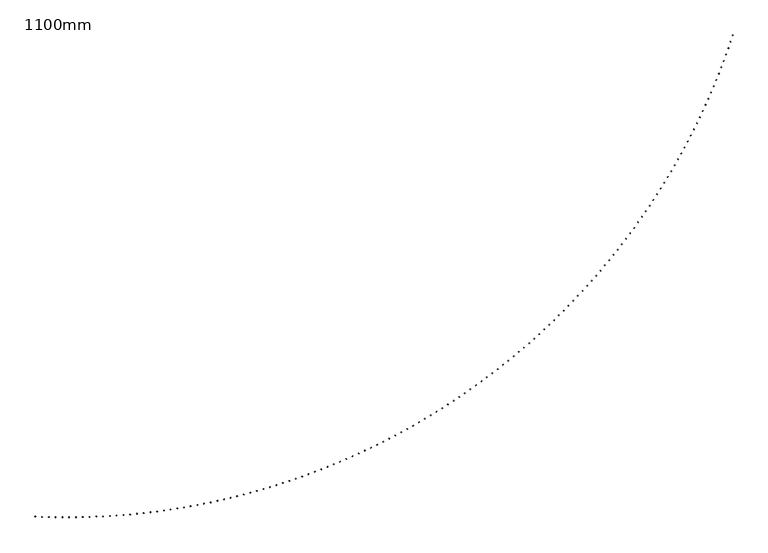
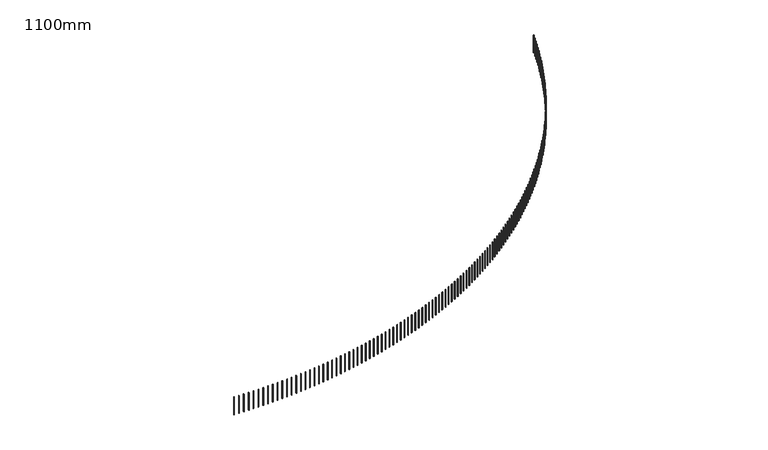
"""IFC4 building model written with IfcOpenShell, lengths in millimetres: railing geometry, 1100mm."""

from ifc_helpers import new_model, si_unit, frame, origin, place, context, project, spatial, polyline, outline, extrude, source, transform, mapped, element, save


def railing_1100mm_c34f6f84(model_context):
    return source(origin(), model_context, "Body", "SweptSolid", [
        extrude(outline(polyline([(-10385.6237062, -82528.6141743), (-10386.7339032, -82553.5895114), (-10411.7092403, -82552.4793143), (-10410.5990433, -82527.5039773), (-10385.6237062, -82528.6141743)])), frame((0.0, 0.0, 10600.0), z_axis=(0.0, 0.0, 1.0), x_axis=(1.0, 0.0, 0.0)), (0.0, 0.0, 1.0), 1050.0),
        extrude(outline(polyline([(-10110.9562878, -82539.3710236), (-10111.8247156, -82564.3559358), (-10136.8096277, -82563.487508), (-10135.9411999, -82538.5025959), (-10110.9562878, -82539.3710236)])), frame((0.0, 0.0, 10600.0), z_axis=(0.0, 0.0, 1.0), x_axis=(1.0, 0.0, 0.0)), (0.0, 0.0, 1.0), 1050.0),
        extrude(outline(polyline([(-9836.1976261, -82547.4690723), (-9836.8242033, -82572.4612191), (-9861.8163501, -82571.8346419), (-9861.1897729, -82546.8424951), (-9836.1976261, -82547.4690723)])), frame((0.0, 0.0, 10600.0), z_axis=(0.0, 0.0, 1.0), x_axis=(1.0, 0.0, 0.0)), (0.0, 0.0, 1.0), 1050.0),
        extrude(outline(polyline([(-9561.373458, -82552.9075616), (-9561.7581259, -82577.9046021), (-9586.7551663, -82577.5199342), (-9586.3704985, -82552.5228938), (-9561.373458, -82552.9075616)])), frame((0.0, 0.0, 10600.0), z_axis=(0.0, 0.0, 1.0), x_axis=(1.0, 0.0, 0.0)), (0.0, 0.0, 1.0), 1050.0),
        extrude(outline(polyline([(-9286.5095264, -82555.6859823), (-9286.6522489, -82580.6855749), (-9311.6518415, -82580.5428524), (-9311.509119, -82555.5432598), (-9286.5095264, -82555.6859823)])), frame((0.0, 0.0, 10600.0), z_axis=(0.0, 0.0, 1.0), x_axis=(1.0, 0.0, 0.0)), (0.0, 0.0, 1.0), 1050.0),
        extrude(outline(polyline([(-9011.6315779, -82555.8040741), (-9011.5323416, -82580.8038771), (-9036.5321447, -82580.9031133), (-9036.6313809, -82555.9033103), (-9011.6315779, -82555.8040741)])), frame((0.0, 0.0, 10600.0), z_axis=(0.0, 0.0, 1.0), x_axis=(1.0, 0.0, 0.0)), (0.0, 0.0, 1.0), 1050.0),
        extrude(outline(polyline([(-8736.7653604, -82553.2618258), (-8736.4241747, -82578.2594975), (-8761.4218465, -82578.6006832), (-8761.7630321, -82553.6030114), (-8736.7653604, -82553.2618258)])), frame((0.0, 0.0, 10600.0), z_axis=(0.0, 0.0, 1.0), x_axis=(1.0, 0.0, 0.0)), (0.0, 0.0, 1.0), 1050.0),
        extrude(outline(polyline([(-8461.9366208, -82548.0594757), (-8461.3535177, -82573.0526745), (-8486.3467166, -82573.6357777), (-8486.9298197, -82548.6425788), (-8461.9366208, -82548.0594757)])), frame((0.0, 0.0, 10600.0), z_axis=(0.0, 0.0, 1.0), x_axis=(1.0, 0.0, 0.0)), (0.0, 0.0, 1.0), 1050.0),
        extrude(outline(polyline([(-8187.1711025, -82540.197511), (-8186.3461366, -82565.1838959), (-8211.3325215, -82566.0088618), (-8212.1574874, -82541.0224769), (-8187.1711025, -82540.197511)])), frame((0.0, 0.0, 10600.0), z_axis=(0.0, 0.0, 1.0), x_axis=(1.0, 0.0, 0.0)), (0.0, 0.0, 1.0), 1050.0),
        extrude(outline(polyline([(-7912.4945429, -82529.6766681), (-7911.4277914, -82554.6538986), (-7936.4050218, -82555.7206501), (-7937.4717734, -82530.7434196), (-7912.4945429, -82529.6766681)])), frame((0.0, 0.0, 10600.0), z_axis=(0.0, 0.0, 1.0), x_axis=(1.0, 0.0, 0.0)), (0.0, 0.0, 1.0), 1050.0),
        extrude(outline(polyline([(-7637.9326711, -82516.4979327), (-7636.6242339, -82541.463669), (-7661.5899703, -82542.7721062), (-7662.8984074, -82517.8063698), (-7637.9326711, -82516.4979327)])), frame((0.0, 0.0, 10600.0), z_axis=(0.0, 0.0, 1.0), x_axis=(1.0, 0.0, 0.0)), (0.0, 0.0, 1.0), 1050.0),
        extrude(outline(polyline([(-7363.5112053, -82500.662539), (-7361.9612051, -82525.6144427), (-7386.9131088, -82527.164443), (-7388.4631091, -82502.2125392), (-7363.5112053, -82500.662539)])), frame((0.0, 0.0, 10600.0), z_axis=(0.0, 0.0, 1.0), x_axis=(1.0, 0.0, 0.0)), (0.0, 0.0, 1.0), 1050.0),
        extrude(outline(polyline([(-7089.255851, -82482.1719705), (-7087.4644328, -82507.1077043), (-7112.4001666, -82508.8991224), (-7114.1915848, -82483.9633886), (-7089.255851, -82482.1719705)])), frame((0.0, 0.0, 10600.0), z_axis=(0.0, 0.0, 1.0), x_axis=(1.0, 0.0, 0.0)), (0.0, 0.0, 1.0), 1050.0),
        extrude(outline(polyline([(-6815.1922975, -82461.0279591), (-6813.1596293, -82485.9451873), (-6838.0768575, -82487.9778555), (-6840.1095257, -82463.0606273), (-6815.1922975, -82461.0279591)])), frame((0.0, 0.0, 10600.0), z_axis=(0.0, 0.0, 1.0), x_axis=(1.0, 0.0, 0.0)), (0.0, 0.0, 1.0), 1050.0),
        extrude(outline(polyline([(-6541.3462167, -82437.2324855), (-6539.0724888, -82462.128874), (-6563.9688773, -82464.4026019), (-6566.2426052, -82439.5062134), (-6541.3462167, -82437.2324855)])), frame((0.0, 0.0, 10600.0), z_axis=(0.0, 0.0, 1.0), x_axis=(1.0, 0.0, 0.0)), (0.0, 0.0, 1.0), 1050.0),
        extrude(outline(polyline([(-6267.7432598, -82410.7877785), (-6265.2286852, -82435.6609953), (-6290.101902, -82438.1755699), (-6292.6164767, -82413.3023531), (-6267.7432598, -82410.7877785)])), frame((0.0, 0.0, 10600.0), z_axis=(0.0, 0.0, 1.0), x_axis=(1.0, 0.0, 0.0)), (0.0, 0.0, 1.0), 1050.0),
        extrude(outline(polyline([(-5994.4090554, -82381.6963152), (-5991.6538696, -82406.5440305), (-6016.5015849, -82409.2992162), (-6019.2567706, -82384.451501), (-5994.4090554, -82381.6963152)])), frame((0.0, 0.0, 10600.0), z_axis=(0.0, 0.0, 1.0), x_axis=(1.0, 0.0, 0.0)), (0.0, 0.0, 1.0), 1050.0),
        extrude(outline(polyline([(-5721.3692068, -82349.9608208), (-5718.3736679, -82374.7807069), (-5743.1935541, -82377.7762457), (-5746.1890929, -82352.9563596), (-5721.3692068, -82349.9608208)])), frame((0.0, 0.0, 10600.0), z_axis=(0.0, 0.0, 1.0), x_axis=(1.0, 0.0, 0.0)), (0.0, 0.0, 1.0), 1050.0),
        extrude(outline(polyline([(-5448.6492898, -82315.5842677), (-5445.4136784, -82340.3739998), (-5470.2034106, -82343.6096112), (-5473.4390219, -82318.8198791), (-5448.6492898, -82315.5842677)])), frame((0.0, 0.0, 10600.0), z_axis=(0.0, 0.0, 1.0), x_axis=(1.0, 0.0, 0.0)), (0.0, 0.0, 1.0), 1050.0),
        extrude(outline(polyline([(-5176.2748502, -82278.5698762), (-5172.7994694, -82303.3271322), (-5197.5567255, -82306.802513), (-5201.0321063, -82282.0452569), (-5176.2748502, -82278.5698762)])), frame((0.0, 0.0, 10600.0), z_axis=(0.0, 0.0, 1.0), x_axis=(1.0, 0.0, 0.0)), (0.0, 0.0, 1.0), 1050.0),
        extrude(outline(polyline([(-4904.2714014, -82238.9211133), (-4900.5565768, -82263.6435743), (-4925.2790378, -82267.3583989), (-4928.9938624, -82242.6359379), (-4904.2714014, -82238.9211133)])), frame((0.0, 0.0, 10600.0), z_axis=(0.0, 0.0, 1.0), x_axis=(1.0, 0.0, 0.0)), (0.0, 0.0, 1.0), 1050.0),
        extrude(outline(polyline([(-4632.6644222, -82196.641693), (-4628.7105017, -82221.3270431), (-4653.3958518, -82225.2809637), (-4657.3497724, -82200.5956135), (-4632.6644222, -82196.641693)])), frame((0.0, 0.0, 10600.0), z_axis=(0.0, 0.0, 1.0), x_axis=(1.0, 0.0, 0.0)), (0.0, 0.0, 1.0), 1050.0),
        extrude(outline(polyline([(-4361.4793541, -82151.7355756), (-4357.286708, -82176.3815026), (-4381.9326351, -82180.5741487), (-4386.1252811, -82155.9282217), (-4361.4793541, -82151.7355756)])), frame((0.0, 0.0, 10600.0), z_axis=(0.0, 0.0, 1.0), x_axis=(1.0, 0.0, 0.0)), (0.0, 0.0, 1.0), 1050.0),
        extrude(outline(polyline([(-4090.7415992, -82104.2069675), (-4086.3106203, -82128.8111628), (-4110.9148156, -82133.2421417), (-4115.3457945, -82108.6379464), (-4090.7415992, -82104.2069675)])), frame((0.0, 0.0, 10600.0), z_axis=(0.0, 0.0, 1.0), x_axis=(1.0, 0.0, 0.0)), (0.0, 0.0, 1.0), 1050.0),
        extrude(outline(polyline([(-3820.4765175, -82054.0603207), (-3815.8076209, -82078.6204796), (-3840.3677798, -82083.2893763), (-3845.0366764, -82058.7292174), (-3820.4765175, -82054.0603207)])), frame((0.0, 0.0, 10600.0), z_axis=(0.0, 0.0, 1.0), x_axis=(1.0, 0.0, 0.0)), (0.0, 0.0, 1.0), 1050.0),
        extrude(outline(polyline([(-3550.709425, -82001.3003326), (-3545.803048, -82025.8141545), (-3570.3168699, -82030.7205315), (-3575.2232469, -82006.2067096), (-3550.709425, -82001.3003326)])), frame((0.0, 0.0, 10600.0), z_axis=(0.0, 0.0, 1.0), x_axis=(1.0, 0.0, 0.0)), (0.0, 0.0, 1.0), 1050.0),
        extrude(outline(polyline([(-3281.465591, -81945.931945), (-3276.3221931, -81970.3971337), (-3300.7873818, -81975.5405316), (-3305.9307796, -81951.0753429), (-3281.465591, -81945.931945)])), frame((0.0, 0.0, 10600.0), z_axis=(0.0, 0.0, 1.0), x_axis=(1.0, 0.0, 0.0)), (0.0, 0.0, 1.0), 1050.0),
        extrude(outline(polyline([(-3012.7702354, -81887.9603445), (-3007.3902985, -81912.3746083), (-3031.8045623, -81917.7545453), (-3037.1844993, -81893.3402814), (-3012.7702354, -81887.9603445)])), frame((0.0, 0.0, 10600.0), z_axis=(0.0, 0.0, 1.0), x_axis=(1.0, 0.0, 0.0)), (0.0, 0.0, 1.0), 1050.0),
        extrude(outline(polyline([(-2744.6485274, -81827.3909612), (-2739.0325553, -81851.7520133), (-2763.3936074, -81857.3679854), (-2769.0095794, -81833.0069333), (-2744.6485274, -81827.3909612)])), frame((0.0, 0.0, 10600.0), z_axis=(0.0, 0.0, 1.0), x_axis=(1.0, 0.0, 0.0)), (0.0, 0.0, 1.0), 1050.0),
        extrude(outline(polyline([(-2477.1255818, -81764.2294688), (-2471.2741007, -81788.5350272), (-2495.5796591, -81794.3865083), (-2501.4311402, -81770.0809499), (-2477.1255818, -81764.2294688)])), frame((0.0, 0.0, 10600.0), z_axis=(0.0, 0.0, 1.0), x_axis=(1.0, 0.0, 0.0)), (0.0, 0.0, 1.0), 1050.0),
        extrude(outline(polyline([(-2210.2264577, -81698.4817835), (-2204.1400157, -81722.7295715), (-2228.3878037, -81728.8160136), (-2234.4742457, -81704.5682256), (-2210.2264577, -81698.4817835)])), frame((0.0, 0.0, 10600.0), z_axis=(0.0, 0.0, 1.0), x_axis=(1.0, 0.0, 0.0)), (0.0, 0.0, 1.0), 1050.0),
        extrude(outline(polyline([(-1943.9761558, -81630.1540641), (-1937.6553229, -81654.3418104), (-1961.8430692, -81660.6626433), (-1968.1639021, -81636.474897), (-1943.9761558, -81630.1540641)])), frame((0.0, 0.0, 10600.0), z_axis=(0.0, 0.0, 1.0), x_axis=(1.0, 0.0, 0.0)), (0.0, 0.0, 1.0), 1050.0),
        extrude(outline(polyline([(-1678.3996157, -81559.2527107), (-1671.8449841, -81583.3781497), (-1695.970423, -81589.9327813), (-1702.5250546, -81565.8073424), (-1678.3996157, -81559.2527107)])), frame((0.0, 0.0, 10600.0), z_axis=(0.0, 0.0, 1.0), x_axis=(1.0, 0.0, 0.0)), (0.0, 0.0, 1.0), 1050.0),
        extrude(outline(polyline([(-1413.5217142, -81485.7843648), (-1406.7338978, -81509.8452366), (-1430.7947695, -81516.633053), (-1437.582586, -81492.5721812), (-1413.5217142, -81485.7843648)])), frame((0.0, 0.0, 10600.0), z_axis=(0.0, 0.0, 1.0), x_axis=(1.0, 0.0, 0.0)), (0.0, 0.0, 1.0), 1050.0),
        extrude(outline(polyline([(-1149.3672626, -81409.7559082), (-1142.3468972, -81433.7499589), (-1166.3409479, -81440.7703243), (-1173.3613133, -81416.7762736), (-1149.3672626, -81409.7559082)])), frame((0.0, 0.0, 10600.0), z_axis=(0.0, 0.0, 1.0), x_axis=(1.0, 0.0, 0.0)), (0.0, 0.0, 1.0), 1050.0),
        extrude(outline(polyline([(-885.9610043, -81331.1744625), (-878.7087475, -81355.0994447), (-902.6337297, -81362.3517014), (-909.8859864, -81338.4267192), (-885.9610043, -81331.1744625)])), frame((0.0, 0.0, 10600.0), z_axis=(0.0, 0.0, 1.0), x_axis=(1.0, 0.0, 0.0)), (0.0, 0.0, 1.0), 1050.0),
        extrude(outline(polyline([(-623.3276126, -81250.0473885), (-615.8441439, -81273.901061), (-639.6978165, -81281.3845298), (-647.1812852, -81257.5308572), (-623.3276126, -81250.0473885)])), frame((0.0, 0.0, 10600.0), z_axis=(0.0, 0.0, 1.0), x_axis=(1.0, 0.0, 0.0)), (0.0, 0.0, 1.0), 1050.0),
        extrude(outline(polyline([(-361.4916887, -81166.3822853), (-353.7777089, -81190.1624139), (-377.5578375, -81197.8763937), (-385.2718173, -81174.0962651), (-361.4916887, -81166.3822853)])), frame((0.0, 0.0, 10600.0), z_axis=(0.0, 0.0, 1.0), x_axis=(1.0, 0.0, 0.0)), (0.0, 0.0, 1.0), 1050.0),
        extrude(outline(polyline([(-100.4777588, -81080.18699), (-92.5339905, -81103.8913471), (-116.2383476, -81111.8351154), (-124.1821159, -81088.1307583), (-100.4777588, -81080.18699)])), frame((0.0, 0.0, 10600.0), z_axis=(0.0, 0.0, 1.0), x_axis=(1.0, 0.0, 0.0)), (0.0, 0.0, 1.0), 1050.0),
        extrude(outline(polyline([(159.6897277, -80991.4695764), (167.8625404, -81015.0959416), (144.2361752, -81023.2687543), (136.0633625, -80999.6423891), (159.6897277, -80991.4695764)])), frame((0.0, 0.0, 10600.0), z_axis=(0.0, 0.0, 1.0), x_axis=(1.0, 0.0, 0.0)), (0.0, 0.0, 1.0), 1050.0),
        extrude(outline(polyline([(418.986401, -80900.2383549), (427.3874925, -80923.7845151), (403.8413323, -80932.1856066), (395.4402408, -80908.6394464), (418.986401, -80900.2383549)])), frame((0.0, 0.0, 10600.0), z_axis=(0.0, 0.0, 1.0), x_axis=(1.0, 0.0, 0.0)), (0.0, 0.0, 1.0), 1050.0),
        extrude(outline(polyline([(677.3879724, -80806.501871), (686.0165559, -80829.9656207), (662.5528062, -80838.5942041), (653.9242228, -80815.1304544), (677.3879724, -80806.501871)])), frame((0.0, 0.0, 10600.0), z_axis=(0.0, 0.0, 1.0), x_axis=(1.0, 0.0, 0.0)), (0.0, 0.0, 1.0), 1050.0),
        extrude(outline(polyline([(934.8702375, -80710.2689051), (943.7255046, -80733.6480464), (920.3463633, -80742.5033135), (911.4910963, -80719.1241722), (934.8702375, -80710.2689051)])), frame((0.0, 0.0, 10600.0), z_axis=(0.0, 0.0, 1.0), x_axis=(1.0, 0.0, 0.0)), (0.0, 0.0, 1.0), 1050.0),
        extrude(outline(polyline([(1191.4090777, -80611.5484715), (1200.4901989, -80634.8408144), (1177.197856, -80643.9219356), (1168.1167348, -80620.6295927), (1191.4090777, -80611.5484715)])), frame((0.0, 0.0, 10600.0), z_axis=(0.0, 0.0, 1.0), x_axis=(1.0, 0.0, 0.0)), (0.0, 0.0, 1.0), 1050.0),
        extrude(outline(polyline([(1446.9804628, -80510.3498172), (1456.2865876, -80533.5531799), (1433.0832249, -80542.8593047), (1423.7771001, -80519.655942), (1446.9804628, -80510.3498172)])), frame((0.0, 0.0, 10600.0), z_axis=(0.0, 0.0, 1.0), x_axis=(1.0, 0.0, 0.0)), (0.0, 0.0, 1.0), 1050.0),
        extrude(outline(polyline([(1701.5604535, -80406.6824217), (1711.0907101, -80429.7946308), (1687.978501, -80439.3248874), (1678.4482444, -80416.2126783), (1701.5604535, -80406.6824217)])), frame((0.0, 0.0, 10600.0), z_axis=(0.0, 0.0, 1.0), x_axis=(1.0, 0.0, 0.0)), (0.0, 0.0, 1.0), 1050.0),
        extrude(outline(polyline([(1955.125203, -80300.5559955), (1964.8786987, -80323.574886), (1941.8598082, -80333.3283817), (1932.1063125, -80310.3094912), (1955.125203, -80300.5559955)])), frame((0.0, 0.0, 10600.0), z_axis=(0.0, 0.0, 1.0), x_axis=(1.0, 0.0, 0.0)), (0.0, 0.0, 1.0), 1050.0),
        extrude(outline(polyline([(2207.6509598, -80191.9804794), (2217.6267811, -80214.9038952), (2194.7033653, -80224.8797165), (2184.7275441, -80201.9563007), (2207.6509598, -80191.9804794)])), frame((0.0, 0.0, 10600.0), z_axis=(0.0, 0.0, 1.0), x_axis=(1.0, 0.0, 0.0)), (0.0, 0.0, 1.0), 1050.0),
        extrude(outline(polyline([(2459.1140697, -80080.966044), (2469.3112821, -80103.7918377), (2446.4854883, -80113.9890501), (2436.288276, -80091.1632563), (2459.1140697, -80080.966044)])), frame((0.0, 0.0, 10600.0), z_axis=(0.0, 0.0, 1.0), x_axis=(1.0, 0.0, 0.0)), (0.0, 0.0, 1.0), 1050.0),
        extrude(outline(polyline([(2709.4909781, -79967.5230878), (2719.9086263, -79990.2491214), (2697.1825927, -80000.6667697), (2686.7649444, -79977.940736), (2709.4909781, -79967.5230878)])), frame((0.0, 0.0, 10600.0), z_axis=(0.0, 0.0, 1.0), x_axis=(1.0, 0.0, 0.0)), (0.0, 0.0, 1.0), 1050.0),
        extrude(outline(polyline([(2958.7582319, -79851.6622372), (2969.3953402, -79874.286382), (2946.7711955, -79884.9234903), (2936.1340872, -79862.2993455), (2958.7582319, -79851.6622372)])), frame((0.0, 0.0, 10600.0), z_axis=(0.0, 0.0, 1.0), x_axis=(1.0, 0.0, 0.0)), (0.0, 0.0, 1.0), 1050.0),
        extrude(outline(polyline([(3206.8924823, -79733.394345), (3217.7480543, -79755.9144816), (3195.2279176, -79766.7700536), (3184.3723456, -79744.249917), (3206.8924823, -79733.394345)])), frame((0.0, 0.0, 10600.0), z_axis=(0.0, 0.0, 1.0), x_axis=(1.0, 0.0, 0.0)), (0.0, 0.0, 1.0), 1050.0),
        extrude(outline(polyline([(3453.8704863, -79612.7304892), (3464.9435051, -79635.1445084), (3442.529486, -79646.2175272), (3431.4564671, -79623.8035081), (3453.8704863, -79612.7304892)])), frame((0.0, 0.0, 10600.0), z_axis=(0.0, 0.0, 1.0), x_axis=(1.0, 0.0, 0.0)), (0.0, 0.0, 1.0), 1050.0),
        extrude(outline(polyline([(3699.6691094, -79489.6819727), (3710.9585378, -79511.9877747), (3688.6527358, -79523.2772032), (3677.3633073, -79500.9714011), (3699.6691094, -79489.6819727)])), frame((0.0, 0.0, 10600.0), z_axis=(0.0, 0.0, 1.0), x_axis=(1.0, 0.0, 0.0)), (0.0, 0.0, 1.0), 1050.0),
        extrude(outline(polyline([(3944.2653275, -79364.2603213), (3955.7701081, -79386.4558169), (3933.5746125, -79397.9605975), (3922.0698319, -79375.7651019), (3944.2653275, -79364.2603213)])), frame((0.0, 0.0, 10600.0), z_axis=(0.0, 0.0, 1.0), x_axis=(1.0, 0.0, 0.0)), (0.0, 0.0, 1.0), 1050.0),
        extrude(outline(polyline([(4187.6362291, -79236.4772835), (4199.3552842, -79258.5603935), (4177.2721742, -79270.2794486), (4165.5531191, -79248.1963386), (4187.6362291, -79236.4772835)])), frame((0.0, 0.0, 10600.0), z_axis=(0.0, 0.0, 1.0), x_axis=(1.0, 0.0, 0.0)), (0.0, 0.0, 1.0), 1050.0),
        extrude(outline(polyline([(4429.7590177, -79106.3448286), (4441.6912495, -79128.3134846), (4419.7225936, -79140.2457164), (4407.7903618, -79118.2770605), (4429.7590177, -79106.3448286)])), frame((0.0, 0.0, 10600.0), z_axis=(0.0, 0.0, 1.0), x_axis=(1.0, 0.0, 0.0)), (0.0, 0.0, 1.0), 1050.0),
        extrude(outline(polyline([(4670.6110134, -78973.8751464), (4682.7553042, -78995.7272904), (4660.9031602, -79007.8715813), (4648.7588693, -78986.0194373), (4670.6110134, -78973.8751464)])), frame((0.0, 0.0, 10600.0), z_axis=(0.0, 0.0, 1.0), x_axis=(1.0, 0.0, 0.0)), (0.0, 0.0, 1.0), 1050.0),
        extrude(outline(polyline([(4910.1696554, -78839.0806452), (4922.5248678, -78860.8142304), (4900.7912826, -78873.1694428), (4888.4360702, -78851.4358576), (4910.1696554, -78839.0806452)])), frame((0.0, 0.0, 10600.0), z_axis=(0.0, 0.0, 1.0), x_axis=(1.0, 0.0, 0.0)), (0.0, 0.0, 1.0), 1050.0),
        extrude(outline(polyline([(5148.4125043, -78701.9739514), (5160.9774809, -78723.586942), (5139.3644902, -78736.1519186), (5126.7995137, -78714.5389279), (5148.4125043, -78701.9739514)])), frame((0.0, 0.0, 10600.0), z_axis=(0.0, 0.0, 1.0), x_axis=(1.0, 0.0, 0.0)), (0.0, 0.0, 1.0), 1050.0),
        extrude(outline(polyline([(5385.3172437, -78562.5679077), (5398.0908074, -78584.0582793), (5376.6004359, -78596.831843), (5363.8268721, -78575.3414715), (5385.3172437, -78562.5679077)])), frame((0.0, 0.0, 10600.0), z_axis=(0.0, 0.0, 1.0), x_axis=(1.0, 0.0, 0.0)), (0.0, 0.0, 1.0), 1050.0),
        extrude(outline(polyline([(5620.8616826, -78420.8755725), (5633.842637, -78442.241312), (5612.4768976, -78455.2222664), (5599.4959431, -78433.856527), (5620.8616826, -78420.8755725)])), frame((0.0, 0.0, 10600.0), z_axis=(0.0, 0.0, 1.0), x_axis=(1.0, 0.0, 0.0)), (0.0, 0.0, 1.0), 1050.0),
        extrude(outline(polyline([(5855.0237574, -78276.9102182), (5868.2108866, -78298.1493241), (5846.9717806, -78311.3364534), (5833.7846514, -78290.0973474), (5855.0237574, -78276.9102182)])), frame((0.0, 0.0, 10600.0), z_axis=(0.0, 0.0, 1.0), x_axis=(1.0, 0.0, 0.0)), (0.0, 0.0, 1.0), 1050.0),
        extrude(outline(polyline([(6087.781534, -78130.6853299), (6101.1736028, -78151.795813), (6080.0631197, -78165.1878817), (6066.671051, -78144.0773987), (6087.781534, -78130.6853299)])), frame((0.0, 0.0, 10600.0), z_axis=(0.0, 0.0, 1.0), x_axis=(1.0, 0.0, 0.0)), (0.0, 0.0, 1.0), 1050.0),
        extrude(outline(polyline([(6319.11321, -77982.2146048), (6332.7089638, -78003.1944875), (6311.7290811, -78016.7902413), (6298.1333273, -77995.8103586), (6319.11321, -77982.2146048)])), frame((0.0, 0.0, 10600.0), z_axis=(0.0, 0.0, 1.0), x_axis=(1.0, 0.0, 0.0)), (0.0, 0.0, 1.0), 1050.0),
        extrude(outline(polyline([(6548.9971164, -77831.5119501), (6562.7952817, -77852.3592672), (6541.9479646, -77866.1574326), (6528.1497992, -77845.3101155), (6548.9971164, -77831.5119501)])), frame((0.0, 0.0, 10600.0), z_axis=(0.0, 0.0, 1.0), x_axis=(1.0, 0.0, 0.0)), (0.0, 0.0, 1.0), 1050.0),
        extrude(outline(polyline([(6777.4117197, -77678.5914822), (6791.4110042, -77699.304281), (6770.6982054, -77713.3035655), (6756.6989209, -77692.5907666), (6777.4117197, -77678.5914822)])), frame((0.0, 0.0, 10600.0), z_axis=(0.0, 0.0, 1.0), x_axis=(1.0, 0.0, 0.0)), (0.0, 0.0, 1.0), 1050.0),
        extrude(outline(polyline([(7004.3356244, -77523.4675252), (7018.5347166, -77544.0438655), (6997.9583763, -77558.2429578), (6983.7592841, -77537.6666174), (7004.3356244, -77523.4675252)])), frame((0.0, 0.0, 10600.0), z_axis=(0.0, 0.0, 1.0), x_axis=(1.0, 0.0, 0.0)), (0.0, 0.0, 1.0), 1050.0),
        extrude(outline(polyline([(7229.7475744, -77366.1546098), (7244.1451443, -77386.5925642), (7223.7071899, -77400.9901341), (7209.30962, -77380.5521797), (7229.7475744, -77366.1546098)])), frame((0.0, 0.0, 10600.0), z_axis=(0.0, 0.0, 1.0), x_axis=(1.0, 0.0, 0.0)), (0.0, 0.0, 1.0), 1050.0),
        extrude(outline(polyline([(7453.6264551, -77206.6674714), (7468.2211541, -77226.9651255), (7447.9235, -77241.5598245), (7433.328801, -77221.2621704), (7453.6264551, -77206.6674714)])), frame((0.0, 0.0, 10600.0), z_axis=(0.0, 0.0, 1.0), x_axis=(1.0, 0.0, 0.0)), (0.0, 0.0, 1.0), 1050.0),
        extrude(outline(polyline([(7675.9512957, -77045.0210493), (7690.7417567, -77065.1765018), (7670.5863043, -77079.9669628), (7655.7958433, -77059.8115103), (7675.9512957, -77045.0210493)])), frame((0.0, 0.0, 10600.0), z_axis=(0.0, 0.0, 1.0), x_axis=(1.0, 0.0, 0.0)), (0.0, 0.0, 1.0), 1050.0),
        extrude(outline(polyline([(7896.701271, -76881.2304851), (7911.6861086, -76901.2418479), (7891.6747458, -76916.2266855), (7876.6899082, -76896.2153227), (7896.701271, -76881.2304851)])), frame((0.0, 0.0, 10600.0), z_axis=(0.0, 0.0, 1.0), x_axis=(1.0, 0.0, 0.0)), (0.0, 0.0, 1.0), 1050.0),
        extrude(outline(polyline([(8115.8557032, -76715.311121), (8131.0335137, -76735.1765197), (8111.168115, -76750.3543302), (8095.9903045, -76730.4889315), (8115.8557032, -76715.311121)])), frame((0.0, 0.0, 10600.0), z_axis=(0.0, 0.0, 1.0), x_axis=(1.0, 0.0, 0.0)), (0.0, 0.0, 1.0), 1050.0),
        extrude(outline(polyline([(8333.394064, -76547.2784988), (8348.7634258, -76566.9960726), (8329.0458519, -76582.3654344), (8313.6764901, -76562.6478605), (8333.394064, -76547.2784988)])), frame((0.0, 0.0, 10600.0), z_axis=(0.0, 0.0, 1.0), x_axis=(1.0, 0.0, 0.0)), (0.0, 0.0, 1.0), 1050.0),
        extrude(outline(polyline([(8549.2959765, -76377.1483582), (8564.8554498, -76396.7162602), (8545.2875477, -76412.2757335), (8529.7280744, -76392.7078315), (8549.2959765, -76377.1483582)])), frame((0.0, 0.0, 10600.0), z_axis=(0.0, 0.0, 1.0), x_axis=(1.0, 0.0, 0.0)), (0.0, 0.0, 1.0), 1050.0),
        extrude(outline(polyline([(8763.541217, -76204.9366354), (8779.2893444, -76224.3530327), (8759.8729471, -76240.1011601), (8744.1248197, -76220.6847628), (8763.541217, -76204.9366354)])), frame((0.0, 0.0, 10600.0), z_axis=(0.0, 0.0, 1.0), x_axis=(1.0, 0.0, 0.0)), (0.0, 0.0, 1.0), 1050.0),
        extrude(outline(polyline([(8976.109717, -76030.6594615), (8992.0450234, -76049.9225353), (8972.7819496, -76065.8578417), (8956.8466432, -76046.5947679), (8976.109717, -76030.6594615)])), frame((0.0, 0.0, 10600.0), z_axis=(0.0, 0.0, 1.0), x_axis=(1.0, 0.0, 0.0)), (0.0, 0.0, 1.0), 1050.0),
        extrude(outline(polyline([(9186.9815652, -75854.3331613), (9203.1025579, -75873.4411071), (9183.994612, -75889.5620998), (9167.8736193, -75870.4541539), (9186.9815652, -75854.3331613)])), frame((0.0, 0.0, 10600.0), z_axis=(0.0, 0.0, 1.0), x_axis=(1.0, 0.0, 0.0)), (0.0, 0.0, 1.0), 1050.0),
        extrude(outline(polyline([(9396.1370091, -75675.9742511), (9412.442178, -75694.9252792), (9393.4911499, -75711.2304482), (9377.185981, -75692.27942), (9396.1370091, -75675.9742511)])), frame((0.0, 0.0, 10600.0), z_axis=(0.0, 0.0, 1.0), x_axis=(1.0, 0.0, 0.0)), (0.0, 0.0, 1.0), 1050.0),
        extrude(outline(polyline([(9603.556457, -75495.5994381), (9620.0442748, -75514.3917733), (9601.2519396, -75530.8795912), (9584.7641218, -75512.0872559), (9603.556457, -75495.5994381)])), frame((0.0, 0.0, 10600.0), z_axis=(0.0, 0.0, 1.0), x_axis=(1.0, 0.0, 0.0)), (0.0, 0.0, 1.0), 1050.0),
        extrude(outline(polyline([(9809.2204798, -75313.225618), (9825.8894022, -75331.8575), (9807.2575201, -75348.5264224), (9790.5885978, -75329.8945403), (9809.2204798, -75313.225618)])), frame((0.0, 0.0, 10600.0), z_axis=(0.0, 0.0, 1.0), x_axis=(1.0, 0.0, 0.0)), (0.0, 0.0, 1.0), 1050.0),
        extrude(outline(polyline([(10013.1098129, -75128.8698739), (10029.9582783, -75147.3395575), (10011.4885947, -75164.1880229), (9994.6401293, -75145.7183393), (10013.1098129, -75128.8698739)])), frame((0.0, 0.0, 10600.0), z_axis=(0.0, 0.0, 1.0), x_axis=(1.0, 0.0, 0.0)), (0.0, 0.0, 1.0), 1050.0),
        extrude(outline(polyline([(10215.2053578, -74942.5494744), (10232.2317882, -74960.8552295), (10213.9260331, -74977.8816598), (10196.8996027, -74959.5759048), (10215.2053578, -74942.5494744)])), frame((0.0, 0.0, 10600.0), z_axis=(0.0, 0.0, 1.0), x_axis=(1.0, 0.0, 0.0)), (0.0, 0.0, 1.0), 1050.0),
        extrude(outline(polyline([(10415.4881842, -74754.2818723), (10432.6909846, -74772.4219842), (10414.5508727, -74789.6247846), (10397.3480723, -74771.4846727), (10415.4881842, -74754.2818723)])), frame((0.0, 0.0, 10600.0), z_axis=(0.0, 0.0, 1.0), x_axis=(1.0, 0.0, 0.0)), (0.0, 0.0, 1.0), 1050.0),
        extrude(outline(polyline([(10613.9395314, -74564.0847027), (10631.3170904, -74582.0574722), (10613.344321, -74599.4350312), (10595.966762, -74581.4622617), (10613.9395314, -74564.0847027)])), frame((0.0, 0.0, 10600.0), z_axis=(0.0, 0.0, 1.0), x_axis=(1.0, 0.0, 0.0)), (0.0, 0.0, 1.0), 1050.0),
        extrude(outline(polyline([(10810.5408105, -74371.9757815), (10828.0915004, -74389.779525), (10810.2877568, -74407.3302149), (10792.7370669, -74389.5264714), (10810.5408105, -74371.9757815)])), frame((0.0, 0.0, 10600.0), z_axis=(0.0, 0.0, 1.0), x_axis=(1.0, 0.0, 0.0)), (0.0, 0.0, 1.0), 1050.0),
        extrude(outline(polyline([(11005.2736056, -74177.9731036), (11022.9957824, -74195.6061535), (11005.3627325, -74213.3283303), (10987.6405557, -74195.6952804), (11005.2736056, -74177.9731036)])), frame((0.0, 0.0, 10600.0), z_axis=(0.0, 0.0, 1.0), x_axis=(1.0, 0.0, 0.0)), (0.0, 0.0, 1.0), 1050.0),
        extrude(outline(polyline([(11198.1196761, -73982.0948413), (11216.0116798, -73999.5555459), (11198.5509751, -74017.4475496), (11180.6589715, -73999.986845), (11198.1196761, -73982.0948413)])), frame((0.0, 0.0, 10600.0), z_axis=(0.0, 0.0, 1.0), x_axis=(1.0, 0.0, 0.0)), (0.0, 0.0, 1.0), 1050.0),
        extrude(outline(polyline([(11389.060958, -73784.3593427), (11407.1211125, -73801.6460664), (11389.8343888, -73819.706221), (11371.7742342, -73802.4194972), (11389.060958, -73784.3593427)])), frame((0.0, 0.0, 10600.0), z_axis=(0.0, 0.0, 1.0), x_axis=(1.0, 0.0, 0.0)), (0.0, 0.0, 1.0), 1050.0),
        extrude(outline(polyline([(11578.0795657, -73584.7851297), (11596.3061794, -73601.8962533), (11579.1950558, -73620.1228671), (11560.968442, -73603.0117434), (11578.0795657, -73584.7851297)])), frame((0.0, 0.0, 10600.0), z_axis=(0.0, 0.0, 1.0), x_axis=(1.0, 0.0, 0.0)), (0.0, 0.0, 1.0), 1050.0),
        extrude(outline(polyline([(11765.1577937, -73383.3908966), (11783.5491593, -73400.3248173), (11766.6152386, -73418.7161829), (11748.223873, -73401.7822622), (11765.1577937, -73383.3908966)])), frame((0.0, 0.0, 10600.0), z_axis=(0.0, 0.0, 1.0), x_axis=(1.0, 0.0, 0.0)), (0.0, 0.0, 1.0), 1050.0),
        extrude(outline(polyline([(11950.2781183, -73180.195508), (11968.8325131, -73196.9506396), (11952.0773816, -73215.5050344), (11933.5229868, -73198.7499028), (11950.2781183, -73180.195508)])), frame((0.0, 0.0, 10600.0), z_axis=(0.0, 0.0, 1.0), x_axis=(1.0, 0.0, 0.0)), (0.0, 0.0, 1.0), 1050.0),
        extrude(outline(polyline([(12133.4231993, -72975.2179974), (12152.1388853, -72991.7927703), (12135.5641123, -73010.5084563), (12116.8484263, -72993.9336833), (12133.4231993, -72975.2179974)])), frame((0.0, 0.0, 10600.0), z_axis=(0.0, 0.0, 1.0), x_axis=(1.0, 0.0, 0.0)), (0.0, 0.0, 1.0), 1050.0),
        extrude(outline(polyline([(12314.5758813, -72768.4775651), (12333.4511053, -72784.8704269), (12317.0582435, -72803.7456509), (12298.1830195, -72787.3527891), (12314.5758813, -72768.4775651)])), frame((0.0, 0.0, 10600.0), z_axis=(0.0, 0.0, 1.0), x_axis=(1.0, 0.0, 0.0)), (0.0, 0.0, 1.0), 1050.0),
        extrude(outline(polyline([(12493.7191956, -72559.9935766), (12512.7521897, -72576.2029917), (12496.5427745, -72595.2359857), (12477.5097805, -72579.0265706), (12493.7191956, -72559.9935766)])), frame((0.0, 0.0, 10600.0), z_axis=(0.0, 0.0, 1.0), x_axis=(1.0, 0.0, 0.0)), (0.0, 0.0, 1.0), 1050.0),
        extrude(outline(polyline([(12670.8363619, -72349.7855607), (12690.0253431, -72365.8100107), (12674.000893, -72384.9989919), (12654.8119118, -72368.9745419), (12670.8363619, -72349.7855607)])), frame((0.0, 0.0, 10600.0), z_axis=(0.0, 0.0, 1.0), x_axis=(1.0, 0.0, 0.0)), (0.0, 0.0, 1.0), 1050.0),
        extrude(outline(polyline([(12845.9107894, -72137.8732076), (12865.2539604, -72153.7111917), (12849.4159763, -72173.0543626), (12830.0728054, -72157.2163786), (12845.9107894, -72137.8732076)])), frame((0.0, 0.0, 10600.0), z_axis=(0.0, 0.0, 1.0), x_axis=(1.0, 0.0, 0.0)), (0.0, 0.0, 1.0), 1050.0),
        extrude(outline(polyline([(13018.9260789, -71924.2763674), (13038.4216277, -71939.9264018), (13022.7715933, -71959.4219506), (13003.2760445, -71943.7719162), (13018.9260789, -71924.2763674)])), frame((0.0, 0.0, 10600.0), z_axis=(0.0, 0.0, 1.0), x_axis=(1.0, 0.0, 0.0)), (0.0, 0.0, 1.0), 1050.0),
        extrude(outline(polyline([(13189.8660239, -71709.0150478), (13209.5121244, -71724.4756666), (13194.0515055, -71744.1217671), (13174.405405, -71728.6611483), (13189.8660239, -71709.0150478)])), frame((0.0, 0.0, 10600.0), z_axis=(0.0, 0.0, 1.0), x_axis=(1.0, 0.0, 0.0)), (0.0, 0.0, 1.0), 1050.0),
        extrude(outline(polyline([(13358.7146124, -71492.1094123), (13378.5094243, -71507.3791674), (13363.2396692, -71527.1739793), (13343.4448573, -71511.9042242), (13358.7146124, -71492.1094123)])), frame((0.0, 0.0, 10600.0), z_axis=(0.0, 0.0, 1.0), x_axis=(1.0, 0.0, 0.0)), (0.0, 0.0, 1.0), 1050.0),
        extrude(outline(polyline([(13525.4560282, -71273.5797787), (13545.3976974, -71288.6572397), (13530.3202364, -71308.5989088), (13510.3785672, -71293.5214478), (13525.4560282, -71273.5797787)])), frame((0.0, 0.0, 10600.0), z_axis=(0.0, 0.0, 1.0), x_axis=(1.0, 0.0, 0.0)), (0.0, 0.0, 1.0), 1050.0),
        extrude(outline(polyline([(13690.0746527, -71053.4466166), (13710.1613111, -71068.3303713), (13695.2775565, -71088.4170297), (13675.190898, -71073.5332751), (13690.0746527, -71053.4466166)])), frame((0.0, 0.0, 10600.0), z_axis=(0.0, 0.0, 1.0), x_axis=(1.0, 0.0, 0.0)), (0.0, 0.0, 1.0), 1050.0),
        extrude(outline(polyline([(13852.5550658, -70831.7305462), (13872.7848321, -70846.4192003), (13858.096178, -70866.6489665), (13837.8664118, -70851.9603125), (13852.5550658, -70831.7305462)])), frame((0.0, 0.0, 10600.0), z_axis=(0.0, 0.0, 1.0), x_axis=(1.0, 0.0, 0.0)), (0.0, 0.0, 1.0), 1050.0),
        extrude(outline(polyline([(14012.882048, -70608.4523357), (14033.2530271, -70622.9445133), (14018.7608495, -70643.3154923), (13998.3898705, -70628.8233148), (14012.882048, -70608.4523357)])), frame((0.0, 0.0, 10600.0), z_axis=(0.0, 0.0, 1.0), x_axis=(1.0, 0.0, 0.0)), (0.0, 0.0, 1.0), 1050.0),
        extrude(outline(polyline([(14171.0405814, -70383.6328996), (14191.5508652, -70397.9272432), (14177.2565216, -70418.437527), (14156.7462378, -70404.1431833), (14171.0405814, -70383.6328996)])), frame((0.0, 0.0, 10600.0), z_axis=(0.0, 0.0, 1.0), x_axis=(1.0, 0.0, 0.0)), (0.0, 0.0, 1.0), 1050.0),
        extrude(outline(polyline([(14327.0158512, -70157.2932968), (14347.6635184, -70171.3884676), (14333.5683477, -70192.0361348), (14312.9206805, -70177.9409641), (14327.0158512, -70157.2932968)])), frame((0.0, 0.0, 10600.0), z_axis=(0.0, 0.0, 1.0), x_axis=(1.0, 0.0, 0.0)), (0.0, 0.0, 1.0), 1050.0),
        extrude(outline(polyline([(14480.7932471, -69929.4547289), (14501.5763637, -69943.3494064), (14487.6816862, -69964.132523), (14466.8985696, -69950.2378455), (14480.7932471, -69929.4547289)])), frame((0.0, 0.0, 10600.0), z_axis=(0.0, 0.0, 1.0), x_axis=(1.0, 0.0, 0.0)), (0.0, 0.0, 1.0), 1050.0),
        extrude(outline(polyline([(14632.3583646, -69700.1385374), (14653.2749839, -69713.8314202), (14639.5821011, -69734.7480394), (14618.6654818, -69721.0551566), (14632.3583646, -69700.1385374)])), frame((0.0, 0.0, 10600.0), z_axis=(0.0, 0.0, 1.0), x_axis=(1.0, 0.0, 0.0)), (0.0, 0.0, 1.0), 1050.0),
        extrude(outline(polyline([(14781.6970067, -69469.3662026), (14802.7451693, -69482.856008), (14789.2553639, -69503.9041706), (14768.2072013, -69490.4143652), (14781.6970067, -69469.3662026)])), frame((0.0, 0.0, 10600.0), z_axis=(0.0, 0.0, 1.0), x_axis=(1.0, 0.0, 0.0)), (0.0, 0.0, 1.0), 1050.0),
        extrude(outline(polyline([(14928.7951847, -69237.1593409), (14949.972919, -69250.4448054), (14936.6874545, -69271.6225398), (14915.5097201, -69258.3370753), (14928.7951847, -69237.1593409)])), frame((0.0, 0.0, 10600.0), z_axis=(0.0, 0.0, 1.0), x_axis=(1.0, 0.0, 0.0)), (0.0, 0.0, 1.0), 1050.0),
        extrude(outline(polyline([(15073.6391197, -69003.5397035), (15094.9444421, -69016.6195826), (15081.864563, -69037.924905), (15060.5592406, -69024.8450259), (15073.6391197, -69003.5397035)])), frame((0.0, 0.0, 10600.0), z_axis=(0.0, 0.0, 1.0), x_axis=(1.0, 0.0, 0.0)), (0.0, 0.0, 1.0), 1050.0),
        extrude(outline(polyline([(15216.2152443, -68768.5291734), (15237.6461591, -68781.4022419), (15224.7730906, -68802.8331567), (15203.3421758, -68789.9600882), (15216.2152443, -68768.5291734)])), frame((0.0, 0.0, 10600.0), z_axis=(0.0, 0.0, 1.0), x_axis=(1.0, 0.0, 0.0)), (0.0, 0.0, 1.0), 1050.0),
        extrude(outline(polyline([(15356.5102032, -68532.1497643), (15378.0647029, -68544.8148164), (15365.3996508, -68566.3693161), (15343.8451512, -68553.704264), (15356.5102032, -68532.1497643)])), frame((0.0, 0.0, 10600.0), z_axis=(0.0, 0.0, 1.0), x_axis=(1.0, 0.0, 0.0)), (0.0, 0.0, 1.0), 1050.0),
        extrude(outline(polyline([(15494.510855, -68294.423618), (15516.1869206, -68306.8794673), (15503.7310713, -68328.5555329), (15482.0550057, -68316.0996836), (15494.510855, -68294.423618)])), frame((0.0, 0.0, 10600.0), z_axis=(0.0, 0.0, 1.0), x_axis=(1.0, 0.0, 0.0)), (0.0, 0.0, 1.0), 1050.0),
        extrude(outline(polyline([(15630.204273, -68055.3730024), (15651.9998741, -68067.6184821), (15639.7543943, -68089.4140832), (15617.9587932, -68077.1686034), (15630.204273, -68055.3730024)])), frame((0.0, 0.0, 10600.0), z_axis=(0.0, 0.0, 1.0), x_axis=(1.0, 0.0, 0.0)), (0.0, 0.0, 1.0), 1050.0),
        extrude(outline(polyline([(15763.5777468, -67815.0203094), (15785.4908418, -67827.0542726), (15773.4568785, -67848.9673675), (15751.5437836, -67836.9334043), (15763.5777468, -67815.0203094)])), frame((0.0, 0.0, 10600.0), z_axis=(0.0, 0.0, 1.0), x_axis=(1.0, 0.0, 0.0)), (0.0, 0.0, 1.0), 1050.0),
        extrude(outline(polyline([(15894.6187833, -67573.388053), (15916.6473194, -67585.2093725), (15904.826, -67607.2379087), (15882.7974638, -67595.4165892), (15894.6187833, -67573.388053)])), frame((0.0, 0.0, 10600.0), z_axis=(0.0, 0.0, 1.0), x_axis=(1.0, 0.0, 0.0)), (0.0, 0.0, 1.0), 1050.0),
        extrude(outline(polyline([(16023.3151076, -67330.4988671), (16045.4570216, -67342.1064355), (16033.8494533, -67364.2483495), (16011.7075393, -67352.6407811), (16023.3151076, -67330.4988671)])), frame((0.0, 0.0, 10600.0), z_axis=(0.0, 0.0, 1.0), x_axis=(1.0, 0.0, 0.0)), (0.0, 0.0, 1.0), 1050.0),
        extrude(outline(polyline([(16149.6546649, -67086.3755032), (16171.9078827, -67097.7682332), (16160.5151527, -67120.021451), (16138.2619349, -67108.628721), (16149.6546649, -67086.3755032)])), frame((0.0, 0.0, 10600.0), z_axis=(0.0, 0.0, 1.0), x_axis=(1.0, 0.0, 0.0)), (0.0, 0.0, 1.0), 1050.0),
        extrude(outline(polyline([(16273.6256207, -66841.0408284), (16295.9880579, -66852.2176529), (16284.8112334, -66874.58009), (16262.4487963, -66863.4032656), (16273.6256207, -66841.0408284)])), frame((0.0, 0.0, 10600.0), z_axis=(0.0, 0.0, 1.0), x_axis=(1.0, 0.0, 0.0)), (0.0, 0.0, 1.0), 1050.0),
        extrude(outline(polyline([(16395.2163628, -66594.5178234), (16417.6859245, -66605.4776954), (16406.7260526, -66627.9472572), (16384.2564908, -66616.9873852), (16395.2163628, -66594.5178234)])), frame((0.0, 0.0, 10600.0), z_axis=(0.0, 0.0, 1.0), x_axis=(1.0, 0.0, 0.0)), (0.0, 0.0, 1.0), 1050.0),
        extrude(outline(polyline([(16514.4155015, -66346.8295802), (16536.9900832, -66357.571473), (16526.2481903, -66380.1460547), (16503.6736086, -66369.4041618), (16514.4155015, -66346.8295802)])), frame((0.0, 0.0, 10600.0), z_axis=(0.0, 0.0, 1.0), x_axis=(1.0, 0.0, 0.0)), (0.0, 0.0, 1.0), 1050.0),
        extrude(outline(polyline([(16631.2118715, -66097.9992997), (16653.8893585, -66108.5222072), (16643.3664509, -66131.1996942), (16620.6889639, -66120.6767867), (16631.2118715, -66097.9992997)])), frame((0.0, 0.0, 10600.0), z_axis=(0.0, 0.0, 1.0), x_axis=(1.0, 0.0, 0.0)), (0.0, 0.0, 1.0), 1050.0),
        extrude(outline(polyline([(16745.5945324, -65848.05029), (16768.3728005, -65858.3532266), (16758.0698639, -65881.1314947), (16735.2915958, -65870.8285581), (16745.5945324, -65848.05029)])), frame((0.0, 0.0, 10600.0), z_axis=(0.0, 0.0, 1.0), x_axis=(1.0, 0.0, 0.0)), (0.0, 0.0, 1.0), 1050.0),
        extrude(outline(polyline([(16857.5527699, -65597.0059641), (16880.4296855, -65607.0879646), (16870.347685, -65629.9648802), (16847.4707694, -65619.8828796), (16857.5527699, -65597.0059641)])), frame((0.0, 0.0, 10600.0), z_axis=(0.0, 0.0, 1.0), x_axis=(1.0, 0.0, 0.0)), (0.0, 0.0, 1.0), 1050.0),
        extrude(outline(polyline([(16967.0760969, -65344.8898373), (16990.049517, -65354.7499574), (16980.1893969, -65377.7233775), (16957.2159768, -65367.8632574), (16967.0760969, -65344.8898373)])), frame((0.0, 0.0, 10600.0), z_axis=(0.0, 0.0, 1.0), x_axis=(1.0, 0.0, 0.0)), (0.0, 0.0, 1.0), 1050.0),
        extrude(outline(polyline([(17074.1542542, -65091.7255255), (17097.2220269, -65101.3628415), (17087.5847109, -65124.4306143), (17064.5169382, -65114.7932982), (17074.1542542, -65091.7255255)])), frame((0.0, 0.0, 10600.0), z_axis=(0.0, 0.0, 1.0), x_axis=(1.0, 0.0, 0.0)), (0.0, 0.0, 1.0), 1050.0),
        extrude(outline(polyline([(17178.7772117, -64837.5367427), (17201.9371763, -64846.9503519), (17192.5235671, -64870.1103165), (17169.3636025, -64860.6967073), (17178.7772117, -64837.5367427)])), frame((0.0, 0.0, 10600.0), z_axis=(0.0, 0.0, 1.0), x_axis=(1.0, 0.0, 0.0)), (0.0, 0.0, 1.0), 1050.0),
        extrude(outline(polyline([(17280.9351694, -64582.3472989), (17304.1851565, -64591.5363196), (17294.9961358, -64614.7863067), (17271.7461487, -64605.597286), (17280.9351694, -64582.3472989)])), frame((0.0, 0.0, 10600.0), z_axis=(0.0, 0.0, 1.0), x_axis=(1.0, 0.0, 0.0)), (0.0, 0.0, 1.0), 1050.0),
        extrude(outline(polyline([(17380.6185581, -64326.1810979), (17403.9563898, -64335.1446692), (17394.9928184, -64358.4825009), (17371.6549867, -64349.5189296), (17380.6185581, -64326.1810979)])), frame((0.0, 0.0, 10600.0), z_axis=(0.0, 0.0, 1.0), x_axis=(1.0, 0.0, 0.0)), (0.0, 0.0, 1.0), 1050.0),
        extrude(outline(polyline([(17477.8180404, -64069.0621348), (17501.2415306, -64077.7994172), (17492.5042482, -64101.2229075), (17469.0807579, -64092.485625), (17477.8180404, -64069.0621348)])), frame((0.0, 0.0, 10600.0), z_axis=(0.0, 0.0, 1.0), x_axis=(1.0, 0.0, 0.0)), (0.0, 0.0, 1.0), 1050.0),
        extrude(outline(polyline([(17572.5245116, -63811.0144941), (17596.0314663, -63819.5246692), (17587.5212912, -63843.0316239), (17564.0143364, -63834.5214488), (17572.5245116, -63811.0144941)])), frame((0.0, 0.0, 10600.0), z_axis=(0.0, 0.0, 1.0), x_axis=(1.0, 0.0, 0.0)), (0.0, 0.0, 1.0), 1050.0),
        extrude(outline(polyline([(17664.7291004, -63552.0623473), (17688.3173176, -63560.3446179), (17680.035047, -63583.9328352), (17656.4468298, -63575.6505646), (17664.7291004, -63552.0623473)])), frame((0.0, 0.0, 10600.0), z_axis=(0.0, 0.0, 1.0), x_axis=(1.0, 0.0, 0.0)), (0.0, 0.0, 1.0), 1050.0),
        extrude(outline(polyline([(17754.42317, -63292.2299505), (17778.0904403, -63300.2835408), (17770.03685, -63323.9508111), (17746.3695797, -63315.8972208), (17754.42317, -63292.2299505)])), frame((0.0, 0.0, 10600.0), z_axis=(0.0, 0.0, 1.0), x_axis=(1.0, 0.0, 0.0)), (0.0, 0.0, 1.0), 1050.0),
        extrude(outline(polyline([(17841.5983188, -63031.5416424), (17865.3424252, -63039.365798), (17857.5182696, -63063.1099045), (17833.7741632, -63055.2857488), (17841.5983188, -63031.5416424)])), frame((0.0, 0.0, 10600.0), z_axis=(0.0, 0.0, 1.0), x_axis=(1.0, 0.0, 0.0)), (0.0, 0.0, 1.0), 1050.0),
    ])


if __name__ == "__main__":
    model = new_model("IFC4")
    model_context = context("Model", 3, world=origin())
    ifc_project = project(units=[si_unit("LENGTHUNIT", "METRE", prefix="MILLI")], contexts=[model_context])
    site = spatial("IfcSite", under=ifc_project)
    building = spatial("IfcBuilding", under=site)
    placement = place(None, origin())
    railing_1100mm_shape = railing_1100mm_c34f6f84(model_context)
    element("IfcRailing", 1, ObjectType="1100mm", at=placement, inside=building, context=model_context, shape_type="MappedRepresentation", body=[
        mapped(railing_1100mm_shape, transform((0.0, 0.0, 0.0), x_axis=(1.0, 0.0, 0.0), y_axis=(0.0, 1.0, 0.0), z_axis=(0.0, 0.0, 1.0))),
    ])
    save(model, "model.ifc")
